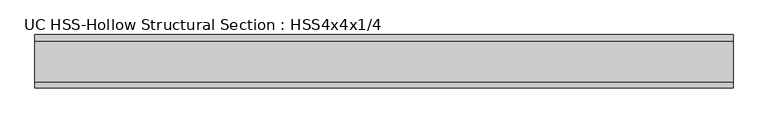
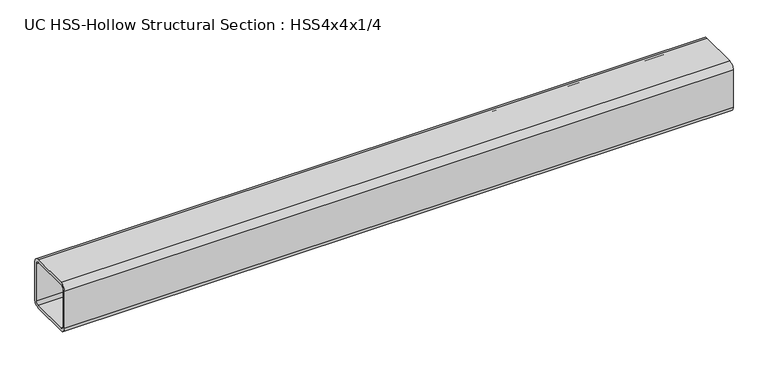
"""IFC4 building model written with IfcOpenShell, lengths in millimetres: beam geometry, UC HSS-Hollow Structural Section : HSS4x4x1/4."""

from ifc_helpers import new_model, si_unit, point, frame, frame_2d, origin, place, context, project, spatial, polyline, circle_curve, trimmed, segment, composite_curve, outline, extrude, source, transform, mapped, element, save


def uc_hss_hollow_structural_section_hss4x4x1_4_12744085(model_context):
    return source(origin(), model_context, "Body", "SweptSolid", [
        extrude(outline(composite_curve([segment(polyline([(50.8, 38.9636), (50.8, -38.9636)]), True, "CONTINUOUS"), segment(trimmed(circle_curve(frame_2d((38.9636, -38.9636)), 11.8364), [point((50.8, -38.9636))], [point((38.9636, -50.8))], False, "CARTESIAN"), True, "CONTINUOUS"), segment(polyline([(38.9636, -50.8), (-38.9636, -50.8)]), True, "CONTINUOUS"), segment(trimmed(circle_curve(frame_2d((-38.9636, -38.9636)), 11.8364), [point((-38.9636, -50.8))], [point((-50.8, -38.9636))], False, "CARTESIAN"), True, "CONTINUOUS"), segment(polyline([(-50.8, -38.9636), (-50.8, 38.9636)]), True, "CONTINUOUS"), segment(trimmed(circle_curve(frame_2d((-38.9636, 38.9636)), 11.8364), [point((-50.8, 38.9636))], [point((-38.9636, 50.8))], False, "CARTESIAN"), True, "CONTINUOUS"), segment(polyline([(-38.9636, 50.8), (38.9636, 50.8)]), True, "CONTINUOUS"), segment(trimmed(circle_curve(frame_2d((38.9636, 38.9636)), 11.8364), [point((38.9636, 50.8))], [point((50.8, 38.9636))], False, "CARTESIAN"), True, "CONTINUOUS")], self_intersect=False), holes=[composite_curve([segment(trimmed(circle_curve(frame_2d((-38.9636, 38.9636)), 5.9182), [point((-38.9636, 44.8818))], [point((-44.8818, 38.9636))], True, "CARTESIAN"), True, "CONTINUOUS"), segment(polyline([(-44.8818, 38.9636), (-44.8818, -38.9636)]), True, "CONTINUOUS"), segment(trimmed(circle_curve(frame_2d((-38.9636, -38.9636)), 5.9182), [point((-44.8818, -38.9636))], [point((-38.9636, -44.8818))], True, "CARTESIAN"), True, "CONTINUOUS"), segment(polyline([(-38.9636, -44.8818), (38.9636, -44.8818)]), True, "CONTINUOUS"), segment(trimmed(circle_curve(frame_2d((38.9636, -38.9636)), 5.9182), [point((38.9636, -44.8818))], [point((44.8818, -38.9636))], True, "CARTESIAN"), True, "CONTINUOUS"), segment(polyline([(44.8818, -38.9636), (44.8818, 38.9636)]), True, "CONTINUOUS"), segment(trimmed(circle_curve(frame_2d((38.9636, 38.9636)), 5.9182), [point((44.8818, 38.9636))], [point((38.9636, 44.8818))], True, "CARTESIAN"), True, "CONTINUOUS"), segment(polyline([(38.9636, 44.8818), (-38.9636, 44.8818)]), True, "CONTINUOUS")], self_intersect=False)]), frame((-638.175, 0.0, 0.0), z_axis=(1.0, 0.0, 0.0), x_axis=(0.0, 1.0, 0.0)), (0.0, 0.0, 1.0), 1327.6700019),
    ])


if __name__ == "__main__":
    model = new_model("IFC4")
    model_context = context("Model", 3, world=origin())
    ifc_project = project(units=[si_unit("LENGTHUNIT", "METRE", prefix="MILLI")], contexts=[model_context])
    site = spatial("IfcSite", under=ifc_project)
    building = spatial("IfcBuilding", under=site)
    placement = place(None, origin())
    uc_hss_hollow_structural_section_hss4x4x1_4_shape = uc_hss_hollow_structural_section_hss4x4x1_4_12744085(model_context)
    element("IfcBeam", 1, ObjectType="UC HSS-Hollow Structural Section : HSS4x4x1/4", at=placement, inside=building, context=model_context, shape_type="MappedRepresentation", body=[
        mapped(uc_hss_hollow_structural_section_hss4x4x1_4_shape, transform((0.0, 0.0, 0.0), x_axis=(1.0, 0.0, 0.0), y_axis=(0.0, 1.0, 0.0), z_axis=(0.0, 0.0, 1.0))),
    ])
    save(model, "model.ifc")
